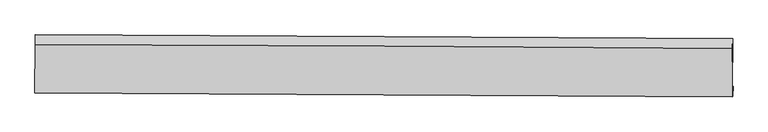
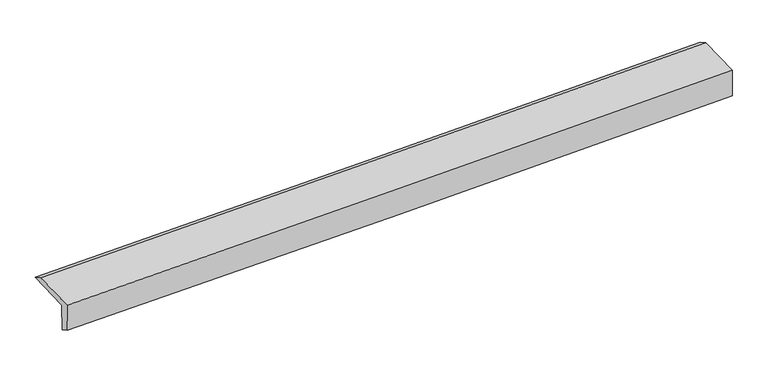
"""IFC4 building model written with IfcOpenShell, lengths in millimetres: proxy geometry."""

from ifc_helpers import new_model, si_unit, frame, origin, place, context, project, spatial, source, transform, mapped, element, save
from ifc_brep_helpers import plane_surface, spline_curve, spline_surface, advanced_brep


def generic_models_165e020d(model_context):
    return source(origin(), model_context, "Body", "AdvancedBrep", [
        advanced_brep(
        [(-4777.6123869, -1774.5202162, 1534.5281429), (-4788.6673023, -1784.6598915, 1921.4498788), (4764.7483097, -1839.0863021, 2187.9747688), (4775.9459752, -1828.8156951, 1796.0567863), (-4780.7114667, -1907.7023788, 1612.9343584), (4772.8468953, -1961.9978577, 1874.4630019), (-4791.8011931, -1917.8739831, 2001.0744789), (4761.6144189, -1972.3003937, 2267.5993689), (-4787.9381022, -1251.9577961, 2018.63586), (4765.4775099, -1306.3842068, 2285.16075), (-4784.7916074, -1116.5710504, 1939.0685566), (4768.6240047, -1170.997461, 2205.5934466)],
        [
            (0, 1),
            (1, 2, spline_curve(3, [(-4788.6673023, -1784.6598915, 1921.4498788), (-3195.173735384, -1790.845862583, 1957.637851627), (-1601.80154961, -1798.478195004, 1997.959037798), (1582.670011933, -1816.624015341, 2086.811193652), (3173.769697094, -1827.133819579, 2135.331638034), (4764.7483097, -1839.0863021, 2187.9747688)], [4, 2, 4], [0.0, 15.688088146488177, 31.356187252784537])),
            (2, 3),
            (3, 0, spline_curve(3, [(4775.9459752, -1828.8156951, 1796.0567863), (3185.181320933, -1816.666968071, 1735.92512047), (1594.176802215, -1806.06987596, 1684.073845712), (-1590.342039233, -1787.96742123, 1596.876489645), (-3183.856974811, -1780.466020433, 1561.551550366), (-4777.6123869, -1774.5202162, 1534.5281429)], [4, 2, 4], [0.0, 15.66809910629636, 31.356187252784537])),
            (4, 0),
            (3, 5),
            (5, 4, spline_curve(3, [(4772.8468953, -1961.9978577, 1874.4630019), (3182.082240879, -1949.849130576, 1814.331336254), (1591.077722408, -1939.252038744, 1762.480061265), (-1593.441119026, -1921.149583646, 1675.282705092), (-3186.956054775, -1913.648183282, 1639.957766026), (-4780.7114667, -1907.7023788, 1612.9343584)], [4, 2, 4], [0.0, 15.668196222986646, 31.356381610064595])),
            (6, 4),
            (5, 7),
            (7, 6, spline_curve(3, [(4761.6144189, -1972.3003937, 2267.5993689), (3170.635806294, -1960.347911179, 2214.956238134), (1579.536121133, -1949.838106941, 2166.435793752), (-1604.93544041, -1931.692286604, 2077.583637898), (-3198.307626184, -1924.059954183, 2037.262451727), (-4791.8011931, -1917.8739831, 2001.0744789)], [4, 2, 4], [0.0, 15.668099106296363, 31.356187252784544])),
            (8, 6),
            (7, 9),
            (9, 8, spline_curve(3, [(4765.4775099, -1306.3842068, 2285.16075), (3174.498896921, -1294.431724499, 2232.51761883), (1583.399212024, -1283.921920146, 2183.997174696), (-1601.072349502, -1265.7760996, 2095.145019154), (-3194.444535153, -1258.143767103, 2054.823833195), (-4787.9381022, -1251.9577961, 2018.63586)], [4, 2, 4], [0.0, 15.668040625026348, 31.356070215635306])),
            (10, 8),
            (9, 11),
            (11, 10, spline_curve(3, [(4768.6240047, -1170.997461, 2205.5934466), (3177.645391721, -1159.044978699, 2152.95031543), (1586.545706824, -1148.535174346, 2104.429871296), (-1597.925854702, -1130.3893538, 2015.577715754), (-3191.298040353, -1122.757021403, 1975.256529795), (-4784.7916074, -1116.5710504, 1939.0685566)], [4, 2, 4], [0.0, 15.668040625026348, 31.356070215635306])),
            (1, 10),
            (11, 2),
        ],
        [
            spline_surface(3, 3, [[(-4777.6123869, -1774.5202162, 1534.5281429), (-3183.856974921, -1780.466020533, 1561.551550365), (-1590.342039314, -1787.967421302, 1596.876489741), (1594.176802296, -1806.069875888, 1684.073845617), (3185.181320734, -1816.666968074, 1735.925120655), (4775.9459752, -1828.8156951, 1796.0567863)], [(-4781.297358698, -1777.900107966, 1663.502054879), (-3187.629228364, -1783.925967868, 1693.580317523), (-1594.161876094, -1791.471012534, 1730.570672407), (1590.341205502, -1809.587922357, 1818.319628321), (3181.377446166, -1820.155918611, 1869.060626354), (4772.213420065, -1832.239230763, 1926.696113787)], [(-4784.982330502, -1781.279999734, 1792.475966821), (-3191.401481813, -1787.385915204, 1825.609084644), (-1597.981712843, -1794.974603793, 1864.264855064), (1586.505608739, -1813.105968852, 1952.565411016), (3177.573571503, -1823.644869159, 2002.196132092), (4768.480864835, -1835.662766437, 2057.335441313)], [(-4788.6673023, -1784.6598915, 1921.4498788), (-3195.173735256, -1790.845862539, 1957.637851802), (-1601.801549624, -1798.478195025, 1997.95903773), (1582.670011946, -1816.624015321, 2086.81119372), (3173.769696935, -1827.133819696, 2135.331637791), (4764.7483097, -1839.0863021, 2187.9747688)]], [4, 4], [4, 2, 4], [0.0, 1.3195893235869014], [0.0, 15.688088146488177, 31.356187252784537]),
            spline_surface(3, 3, [[(-4780.7114667, -1907.7023788, 1612.9343584), (-3186.956054721, -1913.648183133, 1639.957765865), (-1593.441119114, -1921.149583902, 1675.282705241), (1591.077722496, -1939.252038488, 1762.480061117), (3182.082240834, -1949.849130674, 1814.331336255), (4772.8468953, -1961.9978577, 1874.4630019)], [(-4779.678440097, -1863.308324591, 1586.798953219), (-3185.923028118, -1869.254128924, 1613.822360685), (-1592.408092511, -1876.755529694, 1649.14730006), (1592.110749099, -1894.85798428, 1736.344655936), (3183.115267438, -1905.455076466, 1788.195931075), (4773.879921903, -1917.603803491, 1848.327596719)], [(-4778.645413503, -1818.914270409, 1560.663548081), (-3184.890001524, -1824.860074742, 1587.686955546), (-1591.375065917, -1832.361475511, 1623.011894921), (1593.143775693, -1850.463930097, 1710.209250797), (3184.148294131, -1861.061022283, 1762.060525836), (4774.912948597, -1873.209749309, 1822.192191481)], [(-4777.6123869, -1774.5202162, 1534.5281429), (-3183.856974921, -1780.466020533, 1561.551550365), (-1590.342039314, -1787.967421302, 1596.876489741), (1594.176802296, -1806.069875888, 1684.073845617), (3185.181320734, -1816.666968074, 1735.925120655), (4775.9459752, -1828.8156951, 1796.0567863)]], [4, 4], [4, 2, 4], [0.0, 0.5071485270447379], [0.0, 15.688185387077949, 31.356381610064595]),
            spline_surface(3, 3, [[(-4791.8011931, -1917.8739831, 2001.0744789), (-3198.307626056, -1924.059954139, 2037.262451902), (-1604.935440424, -1931.692286625, 2077.58363783), (1579.536121146, -1949.838106921, 2166.43579382), (3170.635806135, -1960.347911296, 2214.956237891), (4761.6144189, -1972.3003937, 2267.5993689)], [(-4788.10461763, -1914.483448334, 1871.694438731), (-3194.523768941, -1920.589363805, 1904.827556554), (-1601.103999972, -1928.178052393, 1943.483326974), (1583.383321611, -1946.309417452, 2031.783882926), (3174.451284375, -1956.848317759, 2081.414604001), (4765.358577707, -1968.866215037, 2136.553913223)], [(-4784.40804217, -1911.092913566, 1742.314398569), (-3190.739911836, -1917.118773468, 1772.392661214), (-1597.272559566, -1924.663818134, 1809.383016097), (1587.23052203, -1942.780727957, 1897.131972011), (3178.266762594, -1953.348724211, 1947.872970144), (4769.102736493, -1965.432036363, 2005.508457577)], [(-4780.7114667, -1907.7023788, 1612.9343584), (-3186.956054721, -1913.648183133, 1639.957765865), (-1593.441119114, -1921.149583902, 1675.282705241), (1591.077722496, -1939.252038488, 1762.480061117), (3182.082240834, -1949.849130674, 1814.331336255), (4772.8468953, -1961.9978577, 1874.4630019)]], [4, 4], [4, 2, 4], [0.0, 1.3235896513215715], [0.0, 15.68808814648818, 31.356187252784544]),
            spline_surface(3, 3, [[(-4787.9381022, -1251.9577961, 2018.63586), (-3194.444535156, -1258.143767139, 2054.823833002), (-1601.072349524, -1265.776099725, 2095.14501893), (1583.399212046, -1283.921920021, 2183.99717492), (3174.498897135, -1294.431724396, 2232.517618991), (4765.4775099, -1306.3842068, 2285.16075)], [(-4789.225799193, -1473.929858411, 2012.782066305), (-3195.732232148, -1480.11582945, 2048.970039307), (-1602.360046516, -1487.748162035, 2089.291225235), (1582.111515053, -1505.893982332, 2178.143381225), (3173.211200142, -1516.403786706, 2226.663825295), (4764.189812907, -1528.356269111, 2279.306956305)], [(-4790.513496107, -1695.901920789, 2006.928272595), (-3197.019929063, -1702.087891828, 2043.116245597), (-1603.647743431, -1709.720224314, 2083.437431525), (1580.823818138, -1727.86604461, 2172.289587515), (3171.923503127, -1738.375848985, 2220.810031586), (4762.902115893, -1750.328331389, 2273.453162595)], [(-4791.8011931, -1917.8739831, 2001.0744789), (-3198.307626056, -1924.059954139, 2037.262451902), (-1604.935440424, -1931.692286625, 2077.58363783), (1579.536121146, -1949.838106921, 2166.43579382), (3170.635806135, -1960.347911296, 2214.956237891), (4761.6144189, -1972.3003937, 2267.5993689)]], [4, 4], [4, 2, 4], [0.0, 2.185560728895482], [0.0, 15.688029590608958, 31.356070215635306]),
            spline_surface(3, 3, [[(-4784.7916074, -1116.5710504, 1939.0685566), (-3191.298040356, -1122.757021439, 1975.256529602), (-1597.925854724, -1130.389353925, 2015.57771553), (1586.545706846, -1148.535174221, 2104.42987152), (3177.645391935, -1159.044978596, 2152.950315591), (4768.6240047, -1170.997461, 2205.5934466)], [(-4785.840438984, -1161.699965642, 1965.590991068), (-3192.34687194, -1167.885936681, 2001.77896407), (-1598.974686308, -1175.518269167, 2042.100149997), (1585.496875261, -1193.664089463, 2130.952305988), (3176.59656035, -1204.173893838, 2179.472750058), (4767.575173116, -1216.126376242, 2232.115881068)], [(-4786.889270616, -1206.828880858, 1992.113425532), (-3193.395703571, -1213.014851897, 2028.301398535), (-1600.023517939, -1220.647184483, 2068.622584462), (1584.44804363, -1238.793004779, 2157.474740453), (3175.547728719, -1249.302809154, 2205.995184523), (4766.526341484, -1261.255291558, 2258.638315532)], [(-4787.9381022, -1251.9577961, 2018.63586), (-3194.444535156, -1258.143767139, 2054.823833002), (-1601.072349524, -1265.776099725, 2095.14501893), (1583.399212046, -1283.921920021, 2183.99717492), (3174.498897135, -1294.431724396, 2232.517618991), (4765.4775099, -1306.3842068, 2285.16075)]], [4, 4], [4, 2, 4], [0.0, 0.5153156968743859], [0.0, 15.688029590608958, 31.356070215635306]),
            spline_surface(3, 3, [[(-4788.6673023, -1784.6598915, 1921.4498788), (-3195.173735256, -1790.845862539, 1957.637851802), (-1601.801549624, -1798.478195025, 1997.95903773), (1582.670011946, -1816.624015321, 2086.81119372), (3173.769696935, -1827.133819696, 2135.331637791), (4764.7483097, -1839.0863021, 2187.9747688)], [(-4787.375403998, -1561.963611156, 1927.322771399), (-3193.881836954, -1568.149582195, 1963.510744401), (-1600.509651321, -1575.781914681, 2003.831930328), (1583.961910248, -1593.927734977, 2092.684086319), (3175.061595237, -1604.437539352, 2141.204530389), (4766.040208002, -1616.390021756, 2193.847661399)], [(-4786.083505702, -1339.267330744, 1933.195664001), (-3192.589938658, -1345.453301783, 1969.383637004), (-1599.217753026, -1353.085634269, 2009.704822931), (1585.253808543, -1371.231454565, 2098.556978922), (3176.353493632, -1381.74125894, 2147.077422992), (4767.332106398, -1393.693741344, 2199.720554001)], [(-4784.7916074, -1116.5710504, 1939.0685566), (-3191.298040356, -1122.757021439, 1975.256529602), (-1597.925854724, -1130.389353925, 2015.57771553), (1586.545706846, -1148.535174221, 2104.42987152), (3177.645391935, -1159.044978596, 2152.950315591), (4768.6240047, -1170.997461, 2205.5934466)]], [4, 4], [4, 2, 4], [0.0, 2.192691457317344], [0.0, 15.688029590608954, 31.3560702156353]),
            plane_surface(frame((4768.209519, -1679.9303194, 2102.8080204), z_axis=(0.999575544088561, -0.006547339351900864, 0.028387743965812284), x_axis=(-0.005799053226884042, -0.9996356376356681, -0.026362149957905853))),
            plane_surface(frame((-4785.2536765, -1625.5475527, 1837.9485459), z_axis=(-0.9995755440885611, 0.006547339351903184, -0.028387743965812604), x_axis=(0.02855000248212334, 0.026186338349269336, -0.9992493047493847))),
        ],
        [
            (0, [[1, 2, 3, 4]]),
            (1, [[5, -4, 6, 7]]),
            (2, [[8, -7, 9, 10]]),
            (3, [[11, -10, 12, 13]]),
            (4, [[14, -13, 15, 16]]),
            (5, [[17, -16, 18, -2]]),
            (6, [[-12, -9, -6, -3, -18, -15]]),
            (7, [[-1, -5, -8, -11, -14, -17]]),
        ],
    ),
    ])


if __name__ == "__main__":
    model = new_model("IFC4")
    model_context = context("Model", 3, world=origin())
    ifc_project = project(units=[si_unit("LENGTHUNIT", "METRE", prefix="MILLI")], contexts=[model_context])
    site = spatial("IfcSite", under=ifc_project)
    building = spatial("IfcBuilding", under=site)
    placement = place(None, origin())
    generic_models_shape = generic_models_165e020d(model_context)
    element("IfcBuildingElementProxy", 1, Name="Generic Models", at=placement, inside=building, context=model_context, shape_type="MappedRepresentation", body=[
        mapped(generic_models_shape, transform((0.0, 0.0, 0.0), x_axis=(1.0, 0.0, 0.0), y_axis=(0.0, 1.0, 0.0), z_axis=(0.0, 0.0, 1.0))),
    ])
    save(model, "model.ifc")
